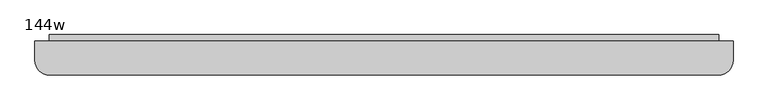
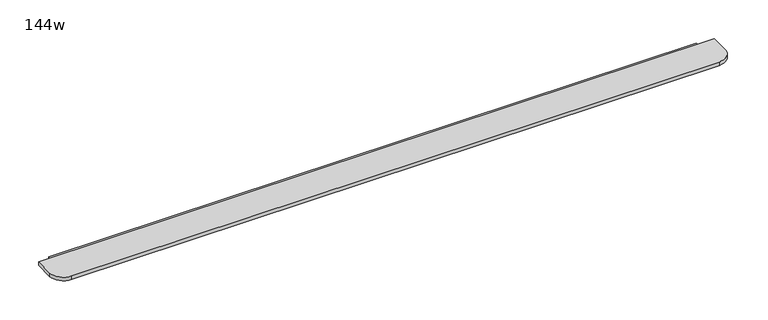
"""IFC4 building model written with IfcOpenShell, lengths in millimetres: furniture geometry, 144w."""

from ifc_helpers import new_model, si_unit, point, frame, frame_2d, origin, place, context, project, spatial, polyline, circle_curve, trimmed, segment, composite_curve, outline, extrude, source, transform, mapped, element, save


def furniture_144w_64f3d0d7(model_context):
    return source(origin(), model_context, "Body", "SweptSolid", [
        extrude(outline(composite_curve([segment(polyline([(3056.2409467, 545.9364026), (3056.2409467, 428.8582776)]), True, "CONTINUOUS"), segment(trimmed(circle_curve(frame_2d((3037.1909467, 428.8582776)), 19.05), [point((3056.2409467, 428.8582776))], [point((3037.1909467, 409.8082776))], False, "CARTESIAN"), True, "CONTINUOUS"), segment(polyline([(3037.1909467, 409.8082776), (-429.9090533, 409.8082776)]), True, "CONTINUOUS"), segment(trimmed(circle_curve(frame_2d((-429.9090533, 428.8582776)), 19.05), [point((-429.9090533, 409.8082776))], [point((-448.9590533, 428.8582776))], False, "CARTESIAN"), True, "CONTINUOUS"), segment(polyline([(-448.9590533, 428.8582776), (-448.9590533, 545.9364026), (3056.2409467, 545.9364026)]), True, "CONTINUOUS")], self_intersect=False)), frame((0.0, 0.0, 996.35945), z_axis=(0.0, 0.0, 1.0), x_axis=(1.0, 0.0, 0.0)), (0.0, 0.0, 1.0), 3.96875),
        extrude(outline(composite_curve([segment(polyline([(3132.4409467, 511.4082776), (3132.4409467, 409.8082776)]), True, "CONTINUOUS"), segment(trimmed(circle_curve(frame_2d((3056.2409467, 409.8082776)), 76.2), [point((3132.4409467, 409.8082776))], [point((3056.2409467, 333.6082776))], False, "CARTESIAN"), True, "CONTINUOUS"), segment(polyline([(3056.2409467, 333.6082776), (-448.9590533, 333.6082776)]), True, "CONTINUOUS"), segment(trimmed(circle_curve(frame_2d((-448.9590533, 409.8082776)), 76.2), [point((-448.9590533, 333.6082776))], [point((-525.1590533, 409.8082776))], False, "CARTESIAN"), True, "CONTINUOUS"), segment(polyline([(-525.1590533, 409.8082776), (-525.1590533, 511.4082776), (3132.4409467, 511.4082776)]), True, "CONTINUOUS")], self_intersect=False)), frame((0.0, 0.0, 1000.3282), z_axis=(0.0, 0.0, 1.0), x_axis=(1.0, 0.0, 0.0)), (0.0, 0.0, 1.0), 19.9429687),
    ])


if __name__ == "__main__":
    model = new_model("IFC4")
    model_context = context("Model", 3, world=origin())
    ifc_project = project(units=[si_unit("LENGTHUNIT", "METRE", prefix="MILLI")], contexts=[model_context])
    site = spatial("IfcSite", under=ifc_project)
    building = spatial("IfcBuilding", under=site)
    placement = place(None, origin())
    furniture_144w_shape = furniture_144w_64f3d0d7(model_context)
    element("IfcFurniture", 1, ObjectType="144w", at=placement, inside=building, context=model_context, shape_type="MappedRepresentation", body=[
        mapped(furniture_144w_shape, transform((0.0, 0.0, 0.0), x_axis=(1.0, 0.0, 0.0), y_axis=(0.0, 1.0, 0.0), z_axis=(0.0, 0.0, 1.0))),
    ])
    save(model, "model.ifc")
